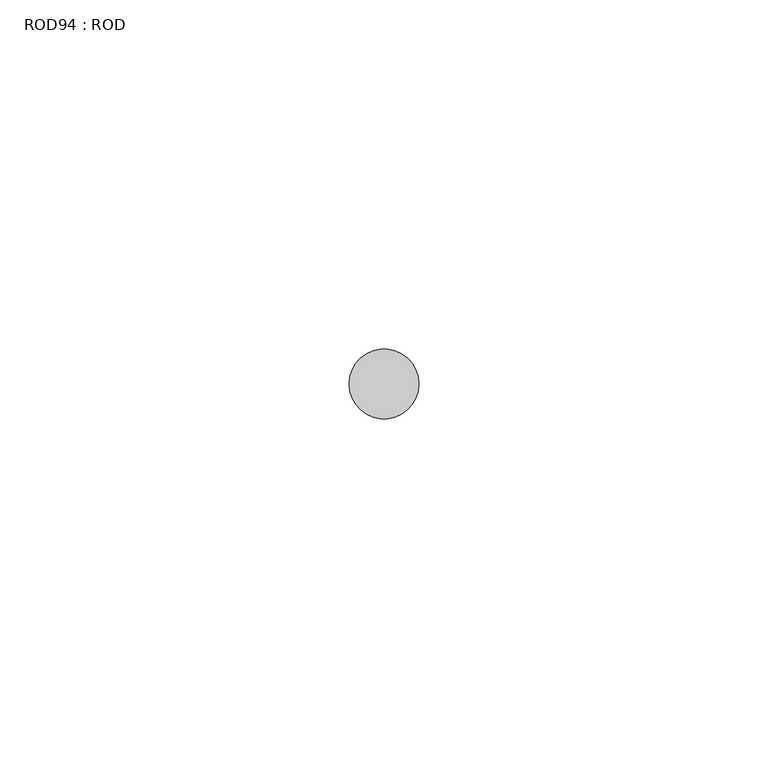
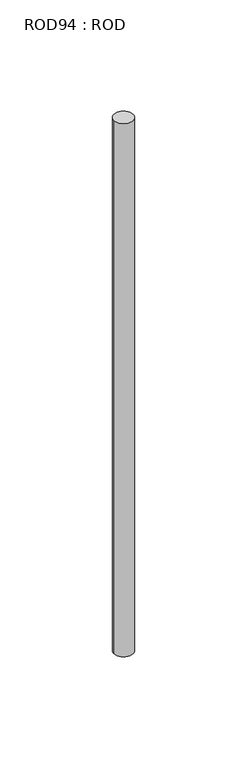
"""IFC4 building model written with IfcOpenShell, lengths in millimetres: proxy geometry, ROD94 : ROD."""

from ifc_helpers import new_model, si_unit, point, frame, frame_2d, origin, place, context, project, spatial, circle_curve, trimmed, segment, composite_curve, outline, extrude, source, transform, mapped, element, save


def rod94_rod_1fa3f728(model_context):
    return source(origin(), model_context, "Body", "SweptSolid", [
        extrude(outline(composite_curve([segment(trimmed(circle_curve(frame_2d((-4107.2215616, -12414.6300853)), 5.0), [point((-4112.2215616, -12414.6300853))], [point((-4102.2215616, -12414.6300853))], False, "CARTESIAN"), True, "CONTINUOUS"), segment(trimmed(circle_curve(frame_2d((-4107.2215616, -12414.6300853)), 5.0), [point((-4102.2215616, -12414.6300853))], [point((-4112.2215616, -12414.6300853))], False, "CARTESIAN"), True, "CONTINUOUS")], self_intersect=False)), frame((0.0, 0.0, -208.6608845), z_axis=(0.0, 0.0, 1.0), x_axis=(1.0, 0.0, 0.0)), (0.0, 0.0, 1.0), 298.9028972),
    ])


if __name__ == "__main__":
    model = new_model("IFC4")
    model_context = context("Model", 3, world=origin())
    ifc_project = project(units=[si_unit("LENGTHUNIT", "METRE", prefix="MILLI")], contexts=[model_context])
    site = spatial("IfcSite", under=ifc_project)
    building = spatial("IfcBuilding", under=site)
    placement = place(None, origin())
    rod94_rod_shape = rod94_rod_1fa3f728(model_context)
    element("IfcBuildingElementProxy", 1, Name="ROD94 : ROD", ObjectType="ROD94 : ROD", at=placement, inside=building, context=model_context, shape_type="MappedRepresentation", body=[
        mapped(rod94_rod_shape, transform((0.0, 0.0, 0.0), x_axis=(1.0, 0.0, 0.0), y_axis=(0.0, 1.0, 0.0), z_axis=(0.0, 0.0, 1.0))),
    ])
    save(model, "model.ifc")
